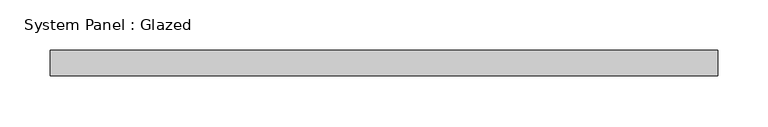
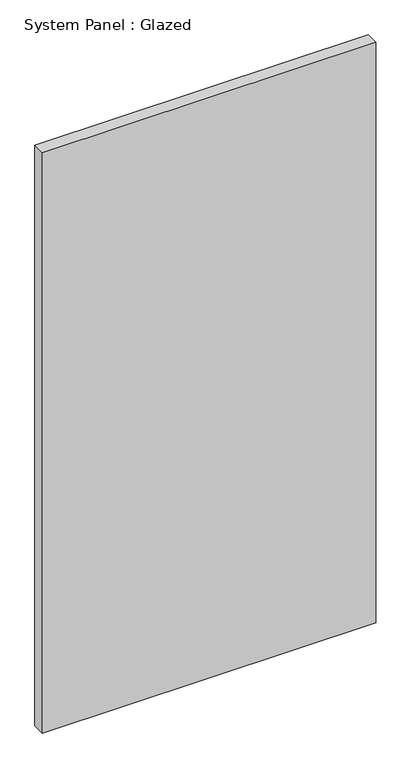
"""IFC4 building model written with IfcOpenShell, lengths in millimetres: plate geometry, System Panel : Glazed."""

from ifc_helpers import new_model, si_unit, origin, origin_with_axes, place, context, project, spatial, polyline, outline, extrude, source, transform, mapped, element, save


def system_panel_glazed_f8e7f2c7(model_context):
    return source(origin(), model_context, "Body", "SweptSolid", [
        extrude(outline(polyline([(331.132211, 19.05), (-331.132211, 19.05), (-331.132211, 44.45), (331.132211, 44.45), (331.132211, 19.05)])), origin_with_axes(), (0.0, 0.0, 1.0), 1219.2),
    ])


if __name__ == "__main__":
    model = new_model("IFC4")
    model_context = context("Model", 3, world=origin())
    ifc_project = project(units=[si_unit("LENGTHUNIT", "METRE", prefix="MILLI")], contexts=[model_context])
    site = spatial("IfcSite", under=ifc_project)
    building = spatial("IfcBuilding", under=site)
    placement = place(None, origin())
    system_panel_glazed_shape = system_panel_glazed_f8e7f2c7(model_context)
    element("IfcPlate", 1, ObjectType="System Panel : Glazed", at=placement, inside=building, context=model_context, shape_type="MappedRepresentation", body=[
        mapped(system_panel_glazed_shape, transform((0.0, 0.0, 0.0), x_axis=(1.0, 0.0, 0.0), y_axis=(0.0, 1.0, 0.0), z_axis=(0.0, 0.0, 1.0))),
    ])
    save(model, "model.ifc")
